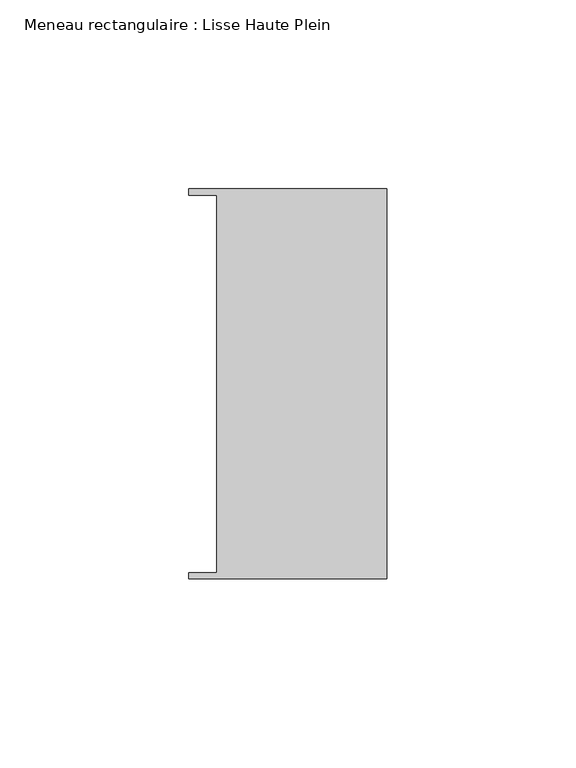
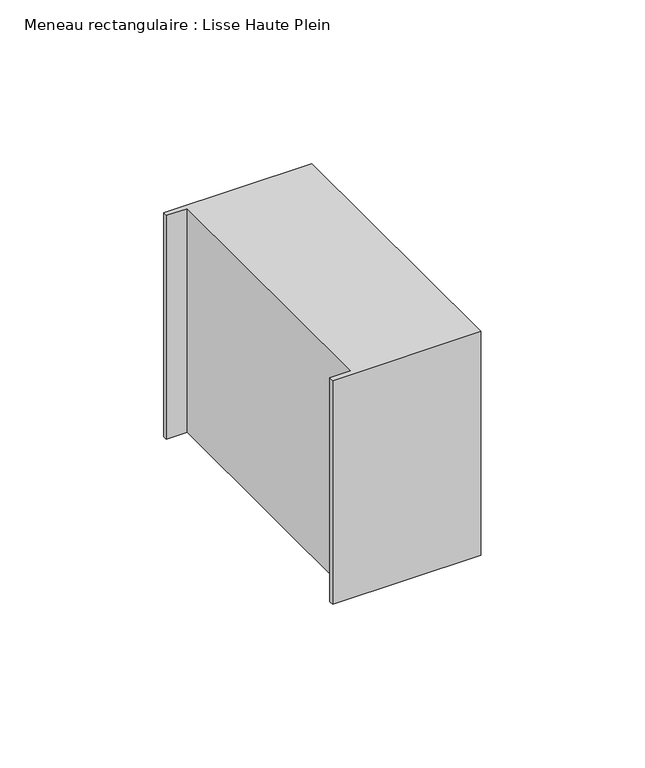
"""IFC4 building model written with IfcOpenShell, lengths in millimetres: member geometry, Meneau rectangulaire : Lisse Haute Plein."""

from ifc_helpers import new_model, si_unit, frame, origin, place, context, project, spatial, polyline, outline, extrude, source, transform, mapped, element, save


def meneau_rectangulaire_lisse_haute_plein_a929da09(model_context):
    return source(origin(), model_context, "Body", "SweptSolid", [
        extrude(outline(polyline([(-44.9064331, 49.9174073), (-52.3, 49.9174073), (-52.3, 51.585934), (0.0, 51.585934), (0.0, -51.6011428), (-52.3, -51.6011428), (-52.3, -49.9174073), (-44.9064331, -49.9174073), (-44.9064331, 49.9174073)])), frame((0.0, 0.0, -83.4415914), z_axis=(0.0, 0.0, 1.0), x_axis=(1.0, 0.0, 0.0)), (0.0, 0.0, 1.0), 83.4415914),
    ])


if __name__ == "__main__":
    model = new_model("IFC4")
    model_context = context("Model", 3, world=origin())
    ifc_project = project(units=[si_unit("LENGTHUNIT", "METRE", prefix="MILLI")], contexts=[model_context])
    site = spatial("IfcSite", under=ifc_project)
    building = spatial("IfcBuilding", under=site)
    placement = place(None, origin())
    meneau_rectangulaire_lisse_haute_plein_shape = meneau_rectangulaire_lisse_haute_plein_a929da09(model_context)
    element("IfcMember", 1, ObjectType="Meneau rectangulaire : Lisse Haute Plein", at=placement, inside=building, context=model_context, shape_type="MappedRepresentation", body=[
        mapped(meneau_rectangulaire_lisse_haute_plein_shape, transform((0.0, 0.0, 0.0), x_axis=(1.0, 0.0, 0.0), y_axis=(0.0, 1.0, 0.0), z_axis=(0.0, 0.0, 1.0))),
    ])
    save(model, "model.ifc")
